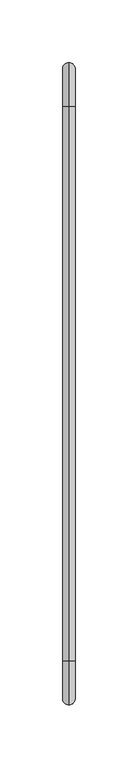
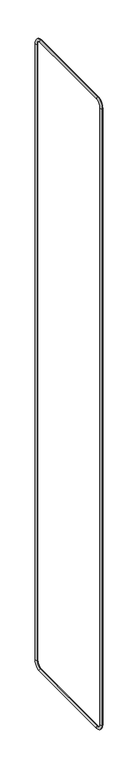
"""IFC4 building model written with IfcOpenShell, lengths in millimetres: beam geometry."""

import ifcopenshell
import ifcopenshell.guid

model = None  # the IFC model being written
_history = None  # IfcOwnerHistory: only IFC2X3 demands one
_inside = {}  # id of a spatial element -> (the spatial element, [elements in it])
_under = {}  # id of a project, library or spatial element -> (it, [spatial elements below it])
_declared = {}  # id of a project -> (the project, [libraries it declares])
_typed = {}  # id of a type object -> (the type object, [elements of that type])
_made_of = {}  # id of a material, layer set ... -> (it, [elements and type objects made of it])


def new_model(schema):
    """Start an empty IFC model of exactly this schema.

    Asked for "IFC4X3", IfcOpenShell would pick the latest addendum, in which some entities
    have other attributes; the version numbers below select the first issue.
    IFC2X3 requires an IfcOwnerHistory on every rooted entity: one is made here for all.
    """
    global model, _history
    if schema == "IFC4X3":
        model = ifcopenshell.file(schema_version=(4, 3, 0, 0))
    else:
        model = ifcopenshell.file(schema=schema)
    _inside.clear()
    _under.clear()
    _declared.clear()
    _typed.clear()
    _made_of.clear()
    _history = None
    if model.schema == "IFC2X3":
        org = make("IfcOrganization", Name="unknown")
        user = make(
            "IfcPersonAndOrganization",
            ThePerson=make("IfcPerson", FamilyName="unknown"),
            TheOrganization=org,
        )
        app = make(
            "IfcApplication",
            ApplicationDeveloper=org,
            Version="unknown",
            ApplicationFullName="unknown",
            ApplicationIdentifier="unknown",
        )
        _history = make(
            "IfcOwnerHistory",
            OwningUser=user,
            OwningApplication=app,
            ChangeAction="ADDED",
            CreationDate=0,
        )
    return model


def make(cls, **values):
    """One entity of the class cls with the attributes given. An attribute that is None is left unset."""
    return model.create_entity(
        cls, **{name: value for name, value in values.items() if value is not None}
    )


def rooted(cls, **values):
    """An entity with a GlobalId (a new one), such as an element, a storey or a relation."""
    return make(cls, GlobalId=ifcopenshell.guid.new(), OwnerHistory=_history, **values)


def si_unit(unit_type, name, prefix=None):
    """IfcSIUnit, for example si_unit("LENGTHUNIT", "METRE", prefix="MILLI")."""
    return make("IfcSIUnit", UnitType=unit_type, Prefix=prefix, Name=name)


def assignment(units):
    """IfcUnitAssignment: the units of a project."""
    return None if units is None else make("IfcUnitAssignment", Units=units)


def point(xyz):
    """IfcCartesianPoint."""
    return None if xyz is None else make("IfcCartesianPoint", Coordinates=xyz)


def direction(xyz):
    """IfcDirection."""
    return None if xyz is None else make("IfcDirection", DirectionRatios=xyz)


def frame(location, z_axis=None, x_axis=None):
    """IfcAxis2Placement3D, a coordinate frame: its origin and axes. An axis left out is left unset."""
    return make(
        "IfcAxis2Placement3D",
        Location=point(location),
        Axis=direction(z_axis),
        RefDirection=direction(x_axis),
    )


def origin():
    """The frame at (0, 0, 0) with its axes left unset."""
    return frame((0.0, 0.0, 0.0))


def place(relative_to, where):
    """IfcLocalPlacement: puts the frame where relative to a parent placement (None: the world)."""
    return make(
        "IfcLocalPlacement", PlacementRelTo=relative_to, RelativePlacement=where
    )


def context(
    kind, dimensions, precision=None, world=None, true_north=None, identifier=None
):
    """IfcGeometricRepresentationContext, for example the 3D "Model" context."""
    return make(
        "IfcGeometricRepresentationContext",
        ContextIdentifier=identifier,
        ContextType=kind,
        CoordinateSpaceDimension=dimensions,
        Precision=precision,
        WorldCoordinateSystem=world,
        TrueNorth=true_north,
    )


def project(units=None, contexts=None):
    """IfcProject with its units and contexts."""
    return rooted(
        "IfcProject",
        Name="project",
        RepresentationContexts=contexts,
        UnitsInContext=assignment(units),
    )


def spatial(cls, under=None, at=None, **own):
    """A site, building, storey or space (cls), placed at a placement, below another one or the project."""
    s = rooted(cls, ObjectPlacement=at, **own)
    if under is not None:
        _under.setdefault(under.id(), (under, []))[1].append(s)
    return s


def circle_curve(where, radius):
    """IfcCircle in the frame where."""
    return make("IfcCircle", Position=where, Radius=radius)


def ellipse_curve(where, semi_axis1, semi_axis2):
    """IfcEllipse in the frame where."""
    return make(
        "IfcEllipse", Position=where, SemiAxis1=semi_axis1, SemiAxis2=semi_axis2
    )


def trimmed(basis, trim1, trim2, sense, master):
    """IfcTrimmedCurve: the piece of a basis curve between two trims."""
    return make(
        "IfcTrimmedCurve",
        BasisCurve=basis,
        Trim1=trim1,
        Trim2=trim2,
        SenseAgreement=sense,
        MasterRepresentation=master,
    )


def shape(context_of_items, identifier, shape_type, items):
    """IfcShapeRepresentation: the items that make up one representation, for example the "Body"."""
    return make(
        "IfcShapeRepresentation",
        ContextOfItems=context_of_items,
        RepresentationIdentifier=identifier,
        RepresentationType=shape_type,
        Items=items,
    )


def source(mapping_origin, context_of_items, identifier, shape_type, items):
    """IfcRepresentationMap: a shape defined once, which mapped items show again and again."""
    return make(
        "IfcRepresentationMap",
        MappingOrigin=mapping_origin,
        MappedRepresentation=shape(context_of_items, identifier, shape_type, items),
    )


def transform(
    local_origin,
    x_axis=None,
    y_axis=None,
    z_axis=None,
    scale=None,
    scale2=None,
    scale3=None,
    uniform=True,
):
    """IfcCartesianTransformationOperator3D, or its non-uniform kind. x_axis, y_axis, z_axis: its Axis1, 2, 3."""
    if uniform:
        return make(
            "IfcCartesianTransformationOperator3D",
            Axis1=direction(x_axis),
            Axis2=direction(y_axis),
            LocalOrigin=point(local_origin),
            Scale=scale,
            Axis3=direction(z_axis),
        )
    return make(
        "IfcCartesianTransformationOperator3DnonUniform",
        Axis1=direction(x_axis),
        Axis2=direction(y_axis),
        LocalOrigin=point(local_origin),
        Scale=scale,
        Axis3=direction(z_axis),
        Scale2=scale2,
        Scale3=scale3,
    )


def mapped(mapping_source, mapping_target):
    """IfcMappedItem: shows the shape of a source again, moved by a transform."""
    return make(
        "IfcMappedItem", MappingSource=mapping_source, MappingTarget=mapping_target
    )


def made_of(thing, what):
    """Note that an element or type object is made of a material, layer set ...; save() writes the relation."""
    if what is not None:
        _made_of.setdefault(what.id(), (what, []))[1].append(thing)
    return thing


def element(
    cls,
    number,
    at=None,
    inside=None,
    cuts=None,
    type_object=None,
    material=None,
    context=None,
    identifier="Body",
    shape_type=None,
    held_by="IfcProductDefinitionShape",
    body=None,
    shapes=None,
    **own,
):
    """One element of the class cls, such as IfcWall. Its Tag is "e" and its number.

    at: its placement. inside: the storey or other place that contains it. cuts: it is an
    opening in that element (IfcRelVoidsElement). A single representation is given by context,
    identifier, shape_type and body (its items); several are given by shapes. held_by: the class
    of the entity that holds the representations. save() writes the other relations.
    """
    e = rooted(cls, Tag="e%d" % number, ObjectPlacement=at, **own)
    if body is not None:
        shapes = [shape(context, identifier, shape_type, body)]
    if shapes is not None:
        e.Representation = make(held_by, Representations=shapes)
    if inside is not None:
        _inside.setdefault(inside.id(), (inside, []))[1].append(e)
    if cuts is not None:
        rooted(
            "IfcRelVoidsElement", RelatingBuildingElement=cuts, RelatedOpeningElement=e
        )
    if type_object is not None:
        _typed.setdefault(type_object.id(), (type_object, []))[1].append(e)
    return made_of(e, material)


def aggregate(whole, parts):
    """IfcRelAggregates: a whole, such as a stair, and the parts it consists of."""
    return rooted("IfcRelAggregates", RelatingObject=whole, RelatedObjects=parts)


def save(model, path):
    """Write the relations noted so far, then the file.

    IfcRelAggregates (storeys below a building ...), IfcRelContainedInSpatialStructure (elements
    in a storey), IfcRelDefinesByType, IfcRelAssociatesMaterial and IfcRelDeclares: one each for
    every whole, place, type object, material and project.
    """
    for whole, parts in _under.values():
        aggregate(whole, parts)
    for where, things in _inside.values():
        rooted(
            "IfcRelContainedInSpatialStructure",
            RelatedElements=things,
            RelatingStructure=where,
        )
    for kind, things in _typed.values():
        rooted("IfcRelDefinesByType", RelatedObjects=things, RelatingType=kind)
    for what, things in _made_of.values():
        rooted("IfcRelAssociatesMaterial", RelatedObjects=things, RelatingMaterial=what)
    for by, libraries in _declared.values():
        rooted("IfcRelDeclares", RelatingContext=by, RelatedDefinitions=libraries)
    model.write(path)


def cylinder_surface(at, radius):
    """IfcCylindricalSurface: all points at the distance radius from the z axis of the frame at."""
    return make("IfcCylindricalSurface", Position=at, Radius=radius)


def revolved_surface(curve, axis_point, axis_direction):
    """IfcSurfaceOfRevolution: the curve turned about the line through axis_point along axis_direction."""
    return make(
        "IfcSurfaceOfRevolution",
        SweptCurve=make("IfcArbitraryOpenProfileDef", ProfileType="CURVE", Curve=curve),
        AxisPosition=make("IfcAxis1Placement", Location=point(axis_point), Axis=direction(axis_direction)),
    )


def advanced_brep(points, edges, surfaces, faces):
    """IfcAdvancedBrep: a solid bounded by faces that lie on surfaces and meet in shared edges.

    An edge is (start, end): straight between two places in points (the first is 0);
    or (start, end, curve); or (start, end, curve, False) where it runs against its curve.
    A face is (place in surfaces, loops), or (place, loops, False) where it looks against
    its surface's normal. A loop lists edges by number (the first is 1), with a minus sign
    where the edge is run from its end to its start. The first loop is the outer one.
    """
    corners = [point(p) for p in points]
    vertices = [make("IfcVertexPoint", VertexGeometry=c) for c in corners]
    made = []
    for start, end, *more in edges:
        made.append(
            make(
                "IfcEdgeCurve",
                EdgeStart=vertices[start],
                EdgeEnd=vertices[end],
                EdgeGeometry=more[0] if more else make("IfcPolyline", Points=[corners[start], corners[end]]),
                SameSense=more[1] if len(more) > 1 else True,
            )
        )
    hull = []
    for where, loops, *sense in faces:
        bounds = []
        for j, loop in enumerate(loops):
            ring = [make("IfcOrientedEdge", EdgeElement=made[abs(k) - 1], Orientation=k > 0) for k in loop]
            bounds.append(
                make(
                    "IfcFaceOuterBound" if j == 0 else "IfcFaceBound",
                    Bound=make("IfcEdgeLoop", EdgeList=ring),
                    Orientation=True,
                )
            )
        hull.append(make("IfcAdvancedFace", Bounds=bounds, FaceSurface=surfaces[where], SameSense=sense[0] if sense else True))
    return make("IfcAdvancedBrep", Outer=make("IfcClosedShell", CfsFaces=hull))


def beam_a41e4bd5(model_context):
    return source(origin(), model_context, "Body", "AdvancedBrep", [
        advanced_brep(
        [(0.0, -30.0, 2982.5), (0.0, 5.0, 2947.5), (0.0, -5.0, 2947.5), (0.0, -30.0, 2972.5), (0.0, -473.0, 2972.5), (0.0, -473.0, 2982.5), (0.0, -508.0, 2947.5), (0.0, -498.0, 2947.5), (0.0, -498.0, 37.5), (0.0, -508.0, 37.5), (0.0, -473.0, 2.5), (0.0, -473.0, 12.5), (0.0, -30.0, 12.5), (0.0, -30.0, 2.5), (0.0, 5.0, 37.5), (0.0, -5.0, 37.5)],
        [
            (0, 1, circle_curve(frame((0.0, -30.0, 2947.5), z_axis=(-1.0, 0.0, 0.0), x_axis=(0.0, 1.0, 0.0)), 35.0)),
            (1, 2, circle_curve(frame((0.0, 0.0, 2947.5), z_axis=(0.0, 0.0, 1.0), x_axis=(0.0, -1.0, 0.0)), 5.0)),
            (2, 3, circle_curve(frame((0.0, -30.0, 2947.5), z_axis=(1.0, 0.0, 0.0), x_axis=(0.0, 1.0, 0.0)), 25.0)),
            (3, 0, circle_curve(frame((0.0, -30.0, 2977.5), z_axis=(0.0, 1.0, 0.0), x_axis=(0.0, 0.0, -1.0)), 5.0)),
            (2, 1, circle_curve(frame((0.0, 0.0, 2947.5), z_axis=(0.0, 0.0, 1.0), x_axis=(0.0, -1.0, 0.0)), 5.0)),
            (0, 3, circle_curve(frame((0.0, -30.0, 2977.5), z_axis=(0.0, 1.0, 0.0), x_axis=(0.0, 0.0, -1.0)), 5.0)),
            (3, 4),
            (4, 5, circle_curve(frame((0.0, -473.0, 2977.5), z_axis=(0.0, 1.0, 0.0), x_axis=(0.0, 0.0, -1.0)), 5.0)),
            (5, 0),
            (5, 4, circle_curve(frame((0.0, -473.0, 2977.5), z_axis=(0.0, 1.0, 0.0), x_axis=(0.0, 0.0, -1.0)), 5.0)),
            (6, 5, circle_curve(frame((0.0, -473.0, 2947.5), z_axis=(-1.0, 0.0, 0.0), x_axis=(0.0, 0.0, 1.0)), 35.0)),
            (4, 7, circle_curve(frame((0.0, -473.0, 2947.5), z_axis=(1.0, 0.0, 0.0), x_axis=(0.0, 0.0, 1.0)), 25.0)),
            (7, 6, circle_curve(frame((0.0, -503.0, 2947.5), z_axis=(0.0, 0.0, 1.0), x_axis=(0.0, 1.0, 0.0)), 5.0)),
            (6, 7, circle_curve(frame((0.0, -503.0, 2947.5), z_axis=(0.0, 0.0, 1.0), x_axis=(0.0, 1.0, 0.0)), 5.0)),
            (7, 8),
            (8, 9, circle_curve(frame((0.0, -503.0, 37.5), z_axis=(0.0, 0.0, 1.0), x_axis=(0.0, 1.0, 0.0)), 5.0)),
            (9, 6),
            (9, 8, circle_curve(frame((0.0, -503.0, 37.5), z_axis=(0.0, 0.0, 1.0), x_axis=(0.0, 1.0, 0.0)), 5.0)),
            (10, 9, circle_curve(frame((0.0, -473.0, 37.5), z_axis=(-1.0, 0.0, 0.0), x_axis=(0.0, -1.0, 0.0)), 35.0)),
            (8, 11, circle_curve(frame((0.0, -473.0, 37.5), z_axis=(1.0, 0.0, 0.0), x_axis=(0.0, -1.0, 0.0)), 25.0)),
            (11, 10, circle_curve(frame((0.0, -473.0, 7.5), z_axis=(0.0, -1.0, 0.0), x_axis=(0.0, 0.0, 1.0)), 5.0)),
            (10, 11, circle_curve(frame((0.0, -473.0, 7.5), z_axis=(0.0, -1.0, 0.0), x_axis=(0.0, 0.0, 1.0)), 5.0)),
            (11, 12),
            (12, 13, circle_curve(frame((0.0, -30.0, 7.5), z_axis=(0.0, -1.0, 0.0), x_axis=(0.0, 0.0, 1.0)), 5.0)),
            (13, 10),
            (13, 12, circle_curve(frame((0.0, -30.0, 7.5), z_axis=(0.0, -1.0, 0.0), x_axis=(0.0, 0.0, 1.0)), 5.0)),
            (14, 13, circle_curve(frame((0.0, -30.0, 37.5), z_axis=(-1.0, 0.0, 0.0), x_axis=(0.0, 0.0, -1.0)), 35.0)),
            (12, 15, circle_curve(frame((0.0, -30.0, 37.5), z_axis=(1.0, 0.0, 0.0), x_axis=(0.0, 0.0, -1.0)), 25.0)),
            (15, 14, circle_curve(frame((0.0, 0.0, 37.5), z_axis=(0.0, 0.0, -1.0), x_axis=(0.0, -1.0, 0.0)), 5.0)),
            (14, 15, circle_curve(frame((0.0, 0.0, 37.5), z_axis=(0.0, 0.0, -1.0), x_axis=(0.0, -1.0, 0.0)), 5.0)),
            (15, 2),
            (1, 14),
        ],
        [
            revolved_surface(trimmed(ellipse_curve(frame((0.0, 0.0, 2947.5), z_axis=(0.0, 0.0, -1.0), x_axis=(0.0, -1.0, 0.0)), 5.0, 5.0), [point((0.0, -5.0, 2947.5))], [point((0.0, 5.0, 2947.5))], True, "CARTESIAN"), (0.0, -30.0, 2947.5), (1.0, 0.0, 0.0)),
            revolved_surface(trimmed(ellipse_curve(frame((0.0, 0.0, 2947.5), z_axis=(0.0, 0.0, -1.0), x_axis=(0.0, -1.0, 0.0)), 5.0, 5.0), [point((0.0, 5.0, 2947.5))], [point((0.0, -5.0, 2947.5))], True, "CARTESIAN"), (0.0, -30.0, 2947.5), (1.0, 0.0, 0.0)),
            cylinder_surface(frame((0.0, -30.0, 2977.5), z_axis=(0.0, 1.0, 0.0), x_axis=(0.0, 0.0, -1.0)), 5.0),
            revolved_surface(trimmed(ellipse_curve(frame((0.0, -473.0, 2977.5), z_axis=(0.0, 1.0, 0.0), x_axis=(0.0, 0.0, -1.0)), 5.0, 5.0), [point((0.0, -473.0, 2972.5))], [point((0.0, -473.0, 2982.5))], True, "CARTESIAN"), (0.0, -473.0, 2947.5), (1.0, 0.0, 0.0)),
            revolved_surface(trimmed(ellipse_curve(frame((0.0, -473.0, 2977.5), z_axis=(0.0, 1.0, 0.0), x_axis=(0.0, 0.0, -1.0)), 5.0, 5.0), [point((0.0, -473.0, 2982.5))], [point((0.0, -473.0, 2972.5))], True, "CARTESIAN"), (0.0, -473.0, 2947.5), (1.0, 0.0, 0.0)),
            cylinder_surface(frame((0.0, -503.0, 2947.5), z_axis=(0.0, 0.0, 1.0), x_axis=(0.0, 1.0, 0.0)), 5.0),
            revolved_surface(trimmed(ellipse_curve(frame((0.0, -503.0, 37.5), z_axis=(0.0, 0.0, 1.0), x_axis=(0.0, 1.0, 0.0)), 5.0, 5.0), [point((0.0, -498.0, 37.5))], [point((0.0, -508.0, 37.5))], True, "CARTESIAN"), (0.0, -473.0, 37.5), (1.0, 0.0, 0.0)),
            revolved_surface(trimmed(ellipse_curve(frame((0.0, -503.0, 37.5), z_axis=(0.0, 0.0, 1.0), x_axis=(0.0, 1.0, 0.0)), 5.0, 5.0), [point((0.0, -508.0, 37.5))], [point((0.0, -498.0, 37.5))], True, "CARTESIAN"), (0.0, -473.0, 37.5), (1.0, 0.0, 0.0)),
            cylinder_surface(frame((0.0, -473.0, 7.5), z_axis=(0.0, -1.0, 0.0), x_axis=(0.0, 0.0, 1.0)), 5.0),
            revolved_surface(trimmed(ellipse_curve(frame((0.0, -30.0, 7.5), z_axis=(0.0, -1.0, 0.0), x_axis=(0.0, 0.0, 1.0)), 5.0, 5.0), [point((0.0, -30.0, 12.5))], [point((0.0, -30.0, 2.5))], True, "CARTESIAN"), (0.0, -30.0, 37.5), (1.0, 0.0, 0.0)),
            revolved_surface(trimmed(ellipse_curve(frame((0.0, -30.0, 7.5), z_axis=(0.0, -1.0, 0.0), x_axis=(0.0, 0.0, 1.0)), 5.0, 5.0), [point((0.0, -30.0, 2.5))], [point((0.0, -30.0, 12.5))], True, "CARTESIAN"), (0.0, -30.0, 37.5), (1.0, 0.0, 0.0)),
            cylinder_surface(frame((0.0, 0.0, 37.5), z_axis=(0.0, 0.0, -1.0), x_axis=(0.0, -1.0, 0.0)), 5.0),
        ],
        [
            (0, [[1, 2, 3, 4]]),
            (1, [[-3, 5, -1, 6]]),
            (2, [[-4, 7, 8, 9]]),
            (2, [[-6, -9, 10, -7]]),
            (3, [[11, -8, 12, 13]]),
            (4, [[-12, -10, -11, 14]]),
            (5, [[-13, 15, 16, 17]]),
            (5, [[-14, -17, 18, -15]]),
            (6, [[19, -16, 20, 21]]),
            (7, [[-20, -18, -19, 22]]),
            (8, [[-21, 23, 24, 25]]),
            (8, [[-22, -25, 26, -23]]),
            (9, [[27, -24, 28, 29]]),
            (10, [[-28, -26, -27, 30]]),
            (11, [[-29, 31, -2, 32]]),
            (11, [[-30, -32, -5, -31]]),
        ],
    ),
    ])


if __name__ == "__main__":
    model = new_model("IFC4")
    model_context = context("Model", 3, world=origin())
    ifc_project = project(units=[si_unit("LENGTHUNIT", "METRE", prefix="MILLI")], contexts=[model_context])
    site = spatial("IfcSite", under=ifc_project)
    building = spatial("IfcBuilding", under=site)
    placement = place(None, origin())
    beam_shape = beam_a41e4bd5(model_context)
    element("IfcBeam", 1, at=placement, inside=building, context=model_context, shape_type="MappedRepresentation", body=[
        mapped(beam_shape, transform((0.0, 0.0, 0.0), x_axis=(1.0, 0.0, 0.0), y_axis=(0.0, 1.0, 0.0), z_axis=(0.0, 0.0, 1.0))),
    ])
    save(model, "model.ifc")
